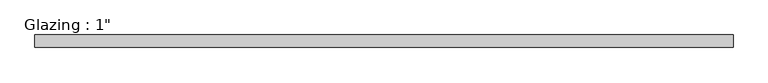
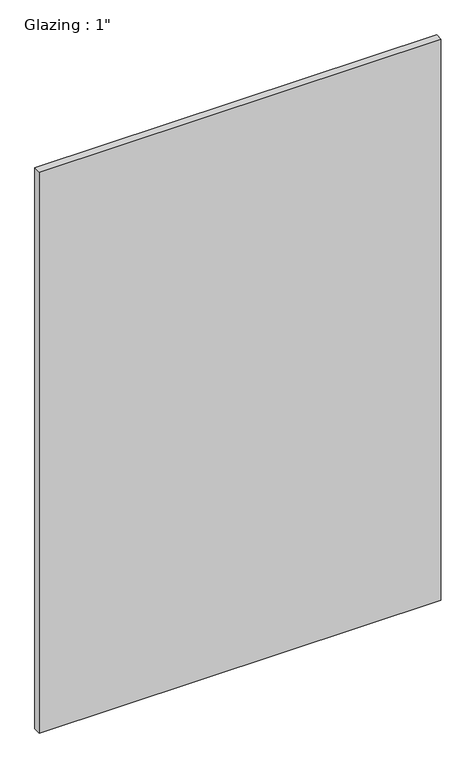
"""IFC4 building model written with IfcOpenShell, lengths in millimetres: plate geometry."""

from ifc_helpers import new_model, si_unit, origin, origin_with_axes, place, context, project, spatial, polyline, outline, extrude, source, transform, mapped, element, save


def plate_2b759c25(model_context):
    return source(origin(), model_context, "Body", "SweptSolid", [
        extrude(outline(polyline([(709.0714792, 12.7), (709.0714792, -12.7), (-709.0714792, -12.7), (-709.0714792, 12.7), (709.0714792, 12.7)])), origin_with_axes(), (0.0, 0.0, 1.0), 2094.5428768),
    ])


if __name__ == "__main__":
    model = new_model("IFC4")
    model_context = context("Model", 3, world=origin())
    ifc_project = project(units=[si_unit("LENGTHUNIT", "METRE", prefix="MILLI")], contexts=[model_context])
    site = spatial("IfcSite", under=ifc_project)
    building = spatial("IfcBuilding", under=site)
    placement = place(None, origin())
    plate_shape = plate_2b759c25(model_context)
    element("IfcPlate", 1, ObjectType="Glazing : 1\"", at=placement, inside=building, context=model_context, shape_type="MappedRepresentation", body=[
        mapped(plate_shape, transform((0.0, 0.0, 0.0), x_axis=(1.0, 0.0, 0.0), y_axis=(0.0, 1.0, 0.0), z_axis=(0.0, 0.0, 1.0))),
    ])
    save(model, "model.ifc")
